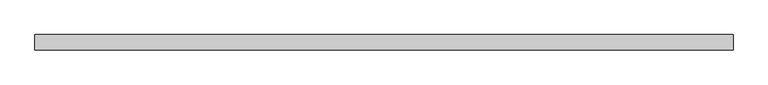
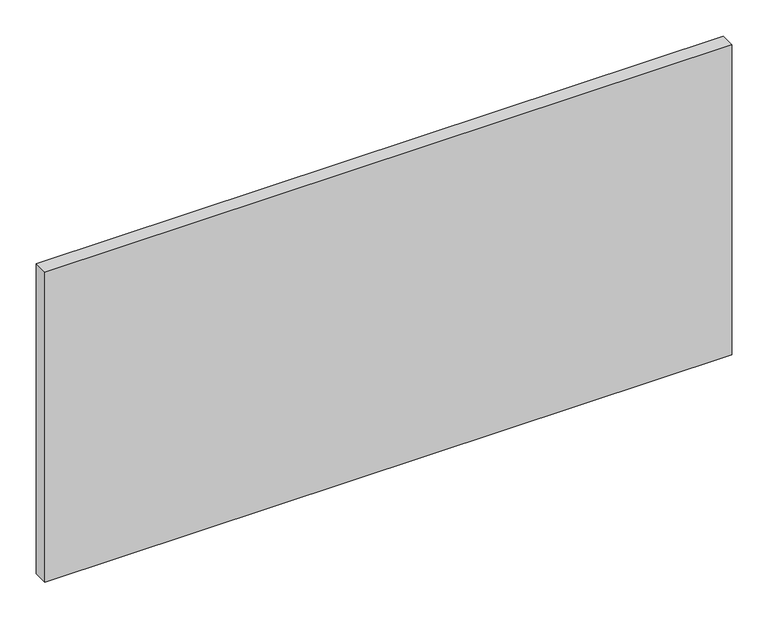
"""IFC4 building model written with IfcOpenShell, lengths in millimetres: plate geometry."""

from ifc_helpers import new_model, si_unit, origin, origin_with_axes, place, context, project, spatial, polyline, outline, extrude, source, transform, mapped, element, save


def plate_d17bce18(model_context):
    return source(origin(), model_context, "Body", "SweptSolid", [
        extrude(outline(polyline([(549.9999998, -24.0), (-549.9999998, -24.0), (-549.9999998, 0.0), (549.9999998, 0.0), (549.9999998, -24.0)])), origin_with_axes(), (0.0, 0.0, 1.0), 525.0),
    ])


if __name__ == "__main__":
    model = new_model("IFC4")
    model_context = context("Model", 3, world=origin())
    ifc_project = project(units=[si_unit("LENGTHUNIT", "METRE", prefix="MILLI")], contexts=[model_context])
    site = spatial("IfcSite", under=ifc_project)
    building = spatial("IfcBuilding", under=site)
    placement = place(None, origin())
    plate_shape = plate_d17bce18(model_context)
    element("IfcPlate", 1, at=placement, inside=building, context=model_context, shape_type="MappedRepresentation", body=[
        mapped(plate_shape, transform((0.0, 0.0, 0.0), x_axis=(1.0, 0.0, 0.0), y_axis=(0.0, 1.0, 0.0), z_axis=(0.0, 0.0, 1.0))),
    ])
    save(model, "model.ifc")
